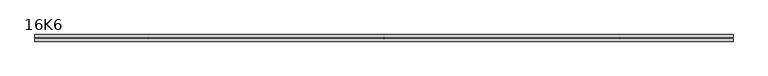
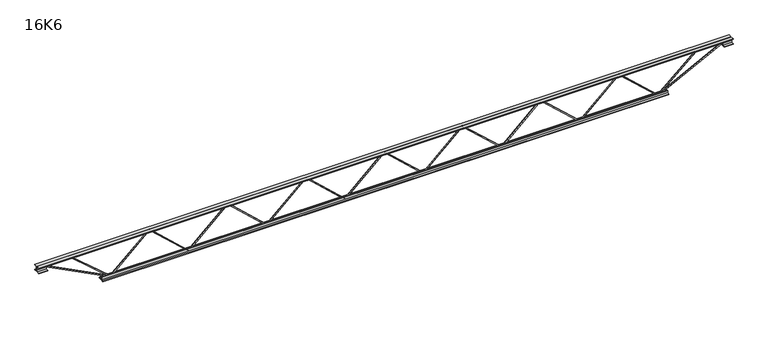
"""IFC4 building model written with IfcOpenShell, lengths in millimetres: beam geometry, 16K6."""

from ifc_helpers import new_model, si_unit, frame, origin, place, context, project, spatial, polyline, outline, extrude, source, transform, mapped, element, save


def beam_16k6_067b01b7(model_context):
    return source(origin(), model_context, "Body", "SweptSolid", [
        extrude(outline(polyline([(-191.9, 1301.047619), (-201.4, 1301.047619), (-201.4, 1306.0761267), (191.9, 1733.2975553), (191.9, 1735.94054), (-201.4, 2163.1619685), (-201.4, 2168.1904762), (-191.9, 2168.1904762), (-191.9, 2166.8689838), (201.4, 1739.6475553), (201.4, 1729.59054), (-191.9, 1302.3691114), (-191.9, 1301.047619)])), frame((0.0, -4.75, 0.0), z_axis=(0.0, 1.0, 0.0), x_axis=(0.0, 0.0, 1.0)), (0.0, 0.0, 1.0), 9.5),
        extrude(outline(polyline([(-191.9, 433.7380952), (-201.4, 433.7380952), (-201.4, 438.7666029), (191.9, 865.9880315), (191.9, 868.6310162), (-201.4, 1295.8524447), (-201.4, 1300.8809524), (-191.9, 1300.8809524), (-191.9, 1299.55946), (201.4, 872.3380315), (201.4, 862.2810162), (-191.9, 435.0595876), (-191.9, 433.7380952)])), frame((0.0, -4.75, 0.0), z_axis=(0.0, 1.0, 0.0), x_axis=(0.0, 0.0, 1.0)), (0.0, 0.0, 1.0), 9.5),
        extrude(outline(polyline([(-191.9, -433.5714286), (-201.4, -433.5714286), (-201.4, -428.5429209), (191.9, -1.3214923), (191.9, 1.3214923), (-201.4, 428.5429209), (-201.4, 433.5714286), (-191.9, 433.5714286), (-191.9, 432.2499362), (201.4, 5.0285077), (201.4, -5.0285077), (-191.9, -432.2499362), (-191.9, -433.5714286)])), frame((0.0, -4.75, 0.0), z_axis=(0.0, 1.0, 0.0), x_axis=(0.0, 0.0, 1.0)), (0.0, 0.0, 1.0), 9.5),
        extrude(outline(polyline([(-191.9, -1300.8809524), (-201.4, -1300.8809524), (-201.4, -1295.8524447), (191.9, -868.6310162), (191.9, -865.9880315), (-201.4, -438.7666029), (-201.4, -433.7380952), (-191.9, -433.7380952), (-191.9, -435.0595876), (201.4, -862.2810162), (201.4, -872.3380315), (-191.9, -1299.55946), (-191.9, -1300.8809524)])), frame((0.0, -4.75, 0.0), z_axis=(0.0, 1.0, 0.0), x_axis=(0.0, 0.0, 1.0)), (0.0, 0.0, 1.0), 9.5),
        extrude(outline(polyline([(-191.9, -2168.1904762), (-201.4, -2168.1904762), (-201.4, -2163.1619685), (191.9, -1735.94054), (191.9, -1733.2975553), (-201.4, -1306.0761267), (-201.4, -1301.047619), (-191.9, -1301.047619), (-191.9, -1302.3691114), (201.4, -1729.59054), (201.4, -1739.6475553), (-191.9, -2166.8689838), (-191.9, -2168.1904762)])), frame((0.0, -4.75, 0.0), z_axis=(0.0, 1.0, 0.0), x_axis=(0.0, 0.0, 1.0)), (0.0, 0.0, 1.0), 9.5),
        extrude(outline(polyline([(-191.9, 2168.3571429), (-201.4, 2168.3571429), (-201.4, 2173.3856505), (191.9, 2600.6070791), (191.9, 2603.2500638), (-201.4, 3030.4714923), (-201.4, 3035.5), (-191.9, 3035.5), (-191.9, 3034.1785077), (201.4, 2606.9570791), (201.4, 2596.9000638), (-191.9, 2169.6786352), (-191.9, 2168.3571429)])), frame((0.0, -4.75, 0.0), z_axis=(0.0, 1.0, 0.0), x_axis=(0.0, 0.0, 1.0)), (0.0, 0.0, 1.0), 9.5),
        extrude(outline(polyline([(-191.9, -3035.5), (-201.4, -3035.5), (-201.4, -3030.4714923), (191.9, -2603.2500638), (191.9, -2600.6070791), (-201.4, -2173.3856505), (-201.4, -2168.3571429), (-191.9, -2168.3571429), (-191.9, -2169.6786352), (201.4, -2596.9000638), (201.4, -2606.9570791), (-191.9, -3034.1785077), (-191.9, -3035.5)])), frame((0.0, -4.75, 0.0), z_axis=(0.0, 1.0, 0.0), x_axis=(0.0, 0.0, 1.0)), (0.0, 0.0, 1.0), 9.5),
        extrude(outline(polyline([(4.75, 203.0), (36.75, 203.0), (36.75, 196.5), (11.25, 196.5), (11.25, 171.0), (4.75, 171.0), (4.75, 203.0)])), frame((-3847.5, 0.0, 0.0), z_axis=(1.0, 0.0, 0.0), x_axis=(0.0, 1.0, 0.0)), (0.0, 0.0, 1.0), 7695.0),
        extrude(outline(polyline([(-4.75, 203.0), (-4.75, 171.0), (-11.25, 171.0), (-11.25, 196.5), (-36.75, 196.5), (-36.75, 203.0), (-4.75, 203.0)])), frame((-3847.5, 0.0, 0.0), z_axis=(1.0, 0.0, 0.0), x_axis=(0.0, 1.0, 0.0)), (0.0, 0.0, 1.0), 7695.0),
        extrude(outline(polyline([(-4.75, 139.5), (-36.75, 139.5), (-36.75, 146.0), (-11.25, 146.0), (-11.25, 171.0), (-4.75, 171.0), (-4.75, 139.5)])), frame((-3847.5, 0.0, 0.0), z_axis=(1.0, 0.0, 0.0), x_axis=(0.0, 1.0, 0.0)), (0.0, 0.0, 1.0), 100.0),
        extrude(outline(polyline([(36.75, 139.5), (4.75, 139.5), (4.75, 171.0), (11.25, 171.0), (11.25, 146.0), (36.75, 146.0), (36.75, 139.5)])), frame((-3847.5, 0.0, 0.0), z_axis=(1.0, 0.0, 0.0), x_axis=(0.0, 1.0, 0.0)), (0.0, 0.0, 1.0), 100.0),
        extrude(outline(polyline([(4.75, 139.5), (4.75, 171.0), (11.25, 171.0), (11.25, 146.0), (36.75, 146.0), (36.75, 139.5), (4.75, 139.5)])), frame((3747.5, 0.0, 0.0), z_axis=(1.0, 0.0, 0.0), x_axis=(0.0, 1.0, 0.0)), (0.0, 0.0, 1.0), 100.0),
        extrude(outline(polyline([(-4.75, 139.5), (-36.75, 139.5), (-36.75, 146.0), (-11.25, 146.0), (-11.25, 171.0), (-4.75, 171.0), (-4.75, 139.5)])), frame((3747.5, 0.0, 0.0), z_axis=(1.0, 0.0, 0.0), x_axis=(0.0, 1.0, 0.0)), (0.0, 0.0, 1.0), 100.0),
        extrude(outline(polyline([(4.75, -203.0), (4.75, -171.0), (11.25, -171.0), (11.25, -196.5), (36.75, -196.5), (36.75, -203.0), (4.75, -203.0)])), frame((-3135.5, 0.0, 0.0), z_axis=(1.0, 0.0, 0.0), x_axis=(0.0, 1.0, 0.0)), (0.0, 0.0, 1.0), 6271.0),
        extrude(outline(polyline([(-4.75, -203.0), (-36.75, -203.0), (-36.75, -196.5), (-11.25, -196.5), (-11.25, -171.0), (-4.75, -171.0), (-4.75, -203.0)])), frame((-3135.5, 0.0, 0.0), z_axis=(1.0, 0.0, 0.0), x_axis=(0.0, 1.0, 0.0)), (0.0, 0.0, 1.0), 6271.0),
        extrude(outline(polyline([(-200.8705467, -3037.6793315), (-192.4294533, -3033.3206685), (175.75, -3746.3460208), (175.75, -3847.5), (166.25, -3847.5), (166.25, -3748.6539792), (-200.8705467, -3037.6793315)])), frame((0.0, -4.75, 0.0), z_axis=(0.0, 1.0, 0.0), x_axis=(0.0, 0.0, 1.0)), (0.0, 0.0, 1.0), 9.5),
        extrude(outline(polyline([(188.7, -3489.0285714), (179.2, -3489.0285714), (179.2, -3478.0953863), (-200.2453756, -3038.6041544), (-193.0546244, -3032.3958456), (188.7, -3474.5617566), (188.7, -3489.0285714)])), frame((0.0, -4.75, 0.0), z_axis=(0.0, 1.0, 0.0), x_axis=(0.0, 0.0, 1.0)), (0.0, 0.0, 1.0), 9.5),
        extrude(outline(polyline([(0.0, -9.5), (0.0, 0.0), (801.3179909, 0.0), (801.3179909, -9.5), (0.0, -9.5)])), frame((3749.6793315, -4.75, 166.7794533), z_axis=(-0.45880662132449535, 0.0, 0.8885361468329812), x_axis=(-0.8885361468329812, 0.0, -0.45880662132449535)), (0.0, 0.0, 1.0), 9.5),
        extrude(outline(polyline([(0.0, -9.5), (0.0, 0.0), (596.2094409, 0.0), (596.2094409, -9.5), (0.0, -9.5)])), frame((3486.719135, -4.75, 193.0801016), z_axis=(-0.6596675145666495, 0.0, 0.7515575628156896), x_axis=(-0.7515575628156896, 0.0, -0.6596675145666495)), (0.0, 0.0, 1.0), 9.5),
    ])


if __name__ == "__main__":
    model = new_model("IFC4")
    model_context = context("Model", 3, world=origin())
    ifc_project = project(units=[si_unit("LENGTHUNIT", "METRE", prefix="MILLI")], contexts=[model_context])
    site = spatial("IfcSite", under=ifc_project)
    building = spatial("IfcBuilding", under=site)
    placement = place(None, origin())
    beam_16k6_shape = beam_16k6_067b01b7(model_context)
    element("IfcBeam", 1, ObjectType="16K6", at=placement, inside=building, context=model_context, shape_type="MappedRepresentation", body=[
        mapped(beam_16k6_shape, transform((0.0, 0.0, 0.0), x_axis=(1.0, 0.0, 0.0), y_axis=(0.0, 1.0, 0.0), z_axis=(0.0, 0.0, 1.0))),
    ])
    save(model, "model.ifc")
